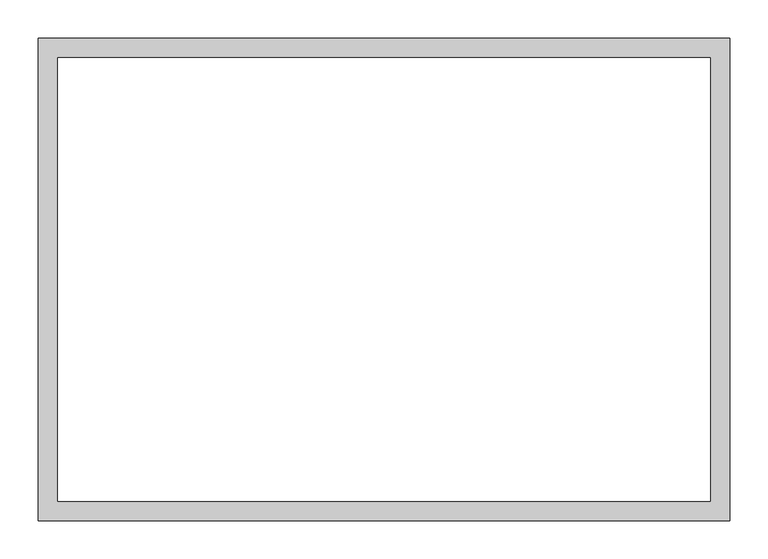
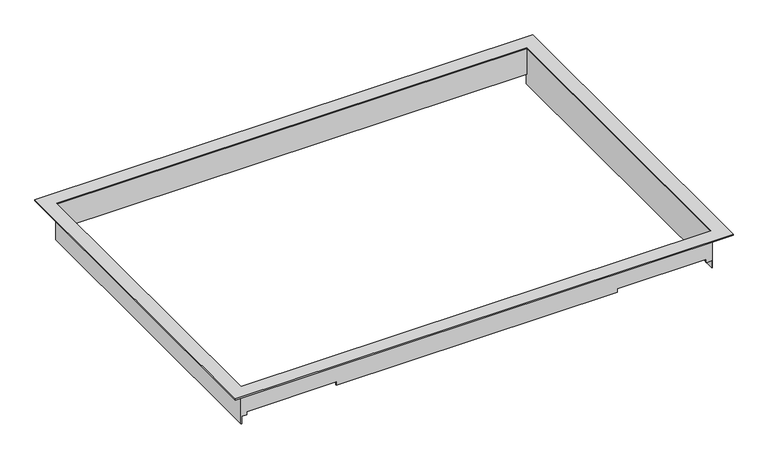
"""IFC4 building model written with IfcOpenShell, lengths in millimetres: proxy geometry."""

from ifc_helpers import new_model, si_unit, origin, origin_with_axes, place, context, project, spatial, polyline, outline, extrude, faceted_brep, source, transform, mapped, element, save


def generic_models_6dd69aa1(model_context):
    return source(origin(), model_context, "Body", "SolidModel", [
        faceted_brep([(427.707425, 291.0078, -68.3030291), (427.707425, -291.20846, -68.3030291), (426.158025, -291.20846, -68.3030291), (426.158025, 291.0078, -68.3030291), (-427.707425, -291.20846, -68.3030291), (-427.707425, 291.0078, -68.3030291), (-426.158025, 291.0078, -68.3030291), (-426.158025, -291.20846, -68.3030291), (-427.707425, 291.0078, 0.0), (-427.707425, -291.20846, 0.0), (427.707425, -291.20846, 0.0), (427.707425, 291.0078, 0.0), (-426.158025, 289.6108, 0.0), (426.158025, 289.6108, 0.0), (426.158025, -289.6108, 0.0), (-426.158025, -289.6108, 0.0), (-426.158025, 289.6108, -48.49368), (426.158025, 289.6108, -48.49368), (426.158025, 291.0078, -48.49368), (426.158025, -291.20846, -54.84368), (426.158025, -289.6108, -54.84368), (416.9671391, -289.6108, -54.84368), (416.9671391, -289.6108, -48.49368), (255.0421391, -289.6108, -48.49368), (255.0421391, -289.6108, -54.84368), (-255.0421391, -289.6108, -54.84368), (-255.0421391, -289.6108, -48.49368), (-416.9671391, -289.6108, -48.49368), (-416.9671391, -289.6108, -54.84368), (-426.158025, -289.6108, -54.84368), (-426.158025, -291.20846, -54.84368), (-426.158025, 291.0078, -48.49368), (-416.9671391, -291.20846, -54.84368), (-416.9671391, -291.20846, -48.49368), (-255.0421391, -291.20846, -48.49368), (-255.0421391, -291.20846, -54.84368), (255.0421391, -291.20846, -54.84368), (255.0421391, -291.20846, -48.49368), (416.9671391, -291.20846, -48.49368), (416.9671391, -291.20846, -54.84368)], [[[0, 1, 2, 3]], [[4, 5, 6, 7]], [[8, 9, 10, 11], [12, 13, 14, 15]], [[13, 12, 16, 17]], [[14, 13, 17, 18, 3, 2, 19, 20]], [[15, 14, 20, 21, 22, 23, 24, 25, 26, 27, 28, 29]], [[12, 15, 29, 30, 7, 6, 31, 16]], [[5, 4, 9, 8]], [[10, 9, 4, 7, 30, 32, 33, 34, 35, 36, 37, 38, 39, 19, 2, 1]], [[1, 0, 11, 10]], [[8, 11, 0, 3, 18, 31, 6, 5]], [[18, 17, 16, 31]], [[26, 34, 33, 27]], [[27, 33, 32, 28]], [[30, 29, 28, 32]], [[20, 19, 39, 21]], [[21, 39, 38, 22]], [[22, 38, 37, 23]], [[23, 37, 36, 24]], [[24, 36, 35, 25]], [[34, 26, 25, 35]]]),
        extrude(outline(polyline([(-451.558025, 315.00826), (451.558025, 315.00826), (451.558025, -315.05906), (-451.558025, -315.05906), (-451.558025, 315.00826)]), holes=[polyline([(-426.158025, 289.6108), (-426.158025, -289.6108), (426.158025, -289.6108), (426.158025, 289.6108), (-426.158025, 289.6108)])]), origin_with_axes(), (0.0, 0.0, 1.0), 2.286),
    ])


if __name__ == "__main__":
    model = new_model("IFC4")
    model_context = context("Model", 3, world=origin())
    ifc_project = project(units=[si_unit("LENGTHUNIT", "METRE", prefix="MILLI")], contexts=[model_context])
    site = spatial("IfcSite", under=ifc_project)
    building = spatial("IfcBuilding", under=site)
    placement = place(None, origin())
    generic_models_shape = generic_models_6dd69aa1(model_context)
    element("IfcBuildingElementProxy", 1, Name="Generic Models", at=placement, inside=building, context=model_context, shape_type="MappedRepresentation", body=[
        mapped(generic_models_shape, transform((0.0, 0.0, 0.0), x_axis=(1.0, 0.0, 0.0), y_axis=(0.0, 1.0, 0.0), z_axis=(0.0, 0.0, 1.0))),
    ])
    save(model, "model.ifc")
